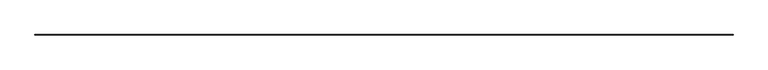
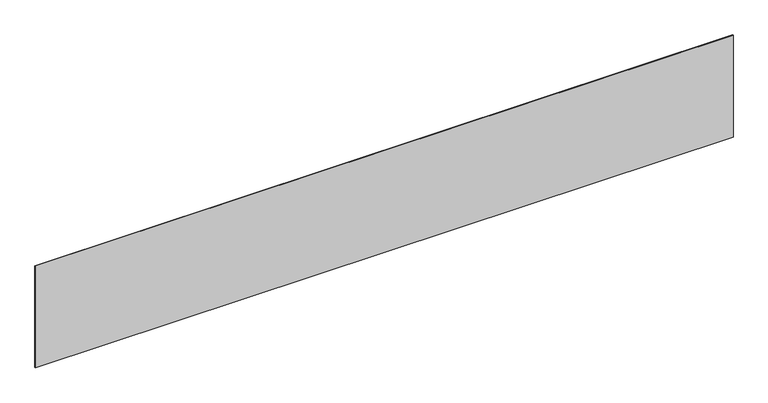
"""IFC4 building model written with IfcOpenShell, lengths in millimetres: plate geometry."""

from ifc_helpers import new_model, si_unit, origin, origin_with_axes, place, context, project, spatial, polyline, outline, extrude, source, transform, mapped, element, save


def plate_814db186(model_context):
    return source(origin(), model_context, "Body", "SweptSolid", [
        extrude(outline(polyline([(6150.0, -10.0), (-6150.0, -10.0), (-6150.0, 0.0), (6150.0, 0.0), (6150.0, -10.0)])), origin_with_axes(), (0.0, 0.0, 1.0), 1900.0),
    ])


if __name__ == "__main__":
    model = new_model("IFC4")
    model_context = context("Model", 3, world=origin())
    ifc_project = project(units=[si_unit("LENGTHUNIT", "METRE", prefix="MILLI")], contexts=[model_context])
    site = spatial("IfcSite", under=ifc_project)
    building = spatial("IfcBuilding", under=site)
    placement = place(None, origin())
    plate_shape = plate_814db186(model_context)
    element("IfcPlate", 1, at=placement, inside=building, context=model_context, shape_type="MappedRepresentation", body=[
        mapped(plate_shape, transform((0.0, 0.0, 0.0), x_axis=(1.0, 0.0, 0.0), y_axis=(0.0, 1.0, 0.0), z_axis=(0.0, 0.0, 1.0))),
    ])
    save(model, "model.ifc")
